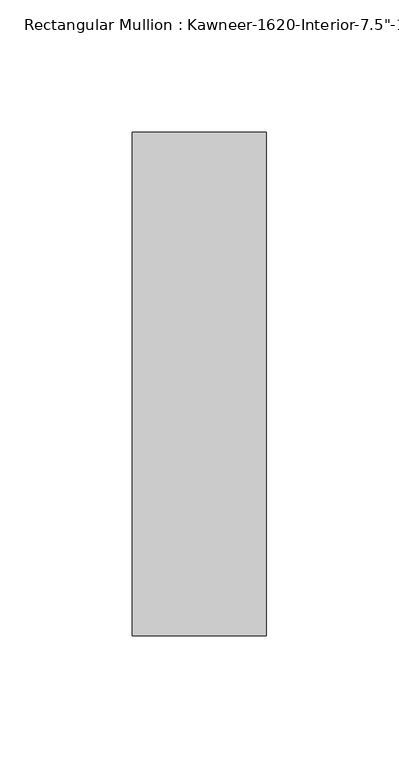
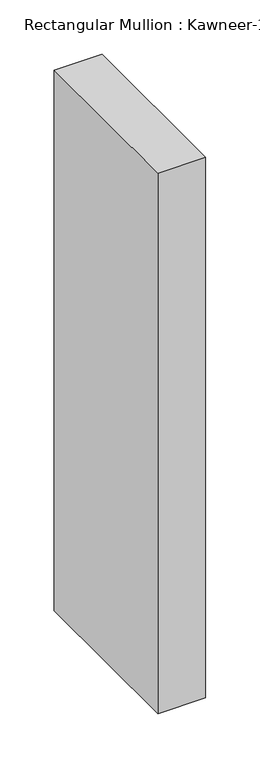
"""IFC4 building model written with IfcOpenShell, lengths in millimetres: member geometry."""

import ifcopenshell
import ifcopenshell.guid

model = None  # the IFC model being written
_history = None  # IfcOwnerHistory: only IFC2X3 demands one
_inside = {}  # id of a spatial element -> (the spatial element, [elements in it])
_under = {}  # id of a project, library or spatial element -> (it, [spatial elements below it])
_declared = {}  # id of a project -> (the project, [libraries it declares])
_typed = {}  # id of a type object -> (the type object, [elements of that type])
_made_of = {}  # id of a material, layer set ... -> (it, [elements and type objects made of it])


def new_model(schema):
    """Start an empty IFC model of exactly this schema.

    Asked for "IFC4X3", IfcOpenShell would pick the latest addendum, in which some entities
    have other attributes; the version numbers below select the first issue.
    IFC2X3 requires an IfcOwnerHistory on every rooted entity: one is made here for all.
    """
    global model, _history
    if schema == "IFC4X3":
        model = ifcopenshell.file(schema_version=(4, 3, 0, 0))
    else:
        model = ifcopenshell.file(schema=schema)
    _inside.clear()
    _under.clear()
    _declared.clear()
    _typed.clear()
    _made_of.clear()
    _history = None
    if model.schema == "IFC2X3":
        org = make("IfcOrganization", Name="unknown")
        user = make(
            "IfcPersonAndOrganization",
            ThePerson=make("IfcPerson", FamilyName="unknown"),
            TheOrganization=org,
        )
        app = make(
            "IfcApplication",
            ApplicationDeveloper=org,
            Version="unknown",
            ApplicationFullName="unknown",
            ApplicationIdentifier="unknown",
        )
        _history = make(
            "IfcOwnerHistory",
            OwningUser=user,
            OwningApplication=app,
            ChangeAction="ADDED",
            CreationDate=0,
        )
    return model


def make(cls, **values):
    """One entity of the class cls with the attributes given. An attribute that is None is left unset."""
    return model.create_entity(
        cls, **{name: value for name, value in values.items() if value is not None}
    )


def rooted(cls, **values):
    """An entity with a GlobalId (a new one), such as an element, a storey or a relation."""
    return make(cls, GlobalId=ifcopenshell.guid.new(), OwnerHistory=_history, **values)


def si_unit(unit_type, name, prefix=None):
    """IfcSIUnit, for example si_unit("LENGTHUNIT", "METRE", prefix="MILLI")."""
    return make("IfcSIUnit", UnitType=unit_type, Prefix=prefix, Name=name)


def assignment(units):
    """IfcUnitAssignment: the units of a project."""
    return None if units is None else make("IfcUnitAssignment", Units=units)


def point(xyz):
    """IfcCartesianPoint."""
    return None if xyz is None else make("IfcCartesianPoint", Coordinates=xyz)


def direction(xyz):
    """IfcDirection."""
    return None if xyz is None else make("IfcDirection", DirectionRatios=xyz)


def frame(location, z_axis=None, x_axis=None):
    """IfcAxis2Placement3D, a coordinate frame: its origin and axes. An axis left out is left unset."""
    return make(
        "IfcAxis2Placement3D",
        Location=point(location),
        Axis=direction(z_axis),
        RefDirection=direction(x_axis),
    )


def origin():
    """The frame at (0, 0, 0) with its axes left unset."""
    return frame((0.0, 0.0, 0.0))


def place(relative_to, where):
    """IfcLocalPlacement: puts the frame where relative to a parent placement (None: the world)."""
    return make(
        "IfcLocalPlacement", PlacementRelTo=relative_to, RelativePlacement=where
    )


def context(
    kind, dimensions, precision=None, world=None, true_north=None, identifier=None
):
    """IfcGeometricRepresentationContext, for example the 3D "Model" context."""
    return make(
        "IfcGeometricRepresentationContext",
        ContextIdentifier=identifier,
        ContextType=kind,
        CoordinateSpaceDimension=dimensions,
        Precision=precision,
        WorldCoordinateSystem=world,
        TrueNorth=true_north,
    )


def project(units=None, contexts=None):
    """IfcProject with its units and contexts."""
    return rooted(
        "IfcProject",
        Name="project",
        RepresentationContexts=contexts,
        UnitsInContext=assignment(units),
    )


def spatial(cls, under=None, at=None, **own):
    """A site, building, storey or space (cls), placed at a placement, below another one or the project."""
    s = rooted(cls, ObjectPlacement=at, **own)
    if under is not None:
        _under.setdefault(under.id(), (under, []))[1].append(s)
    return s


def polyline(points):
    """IfcPolyline through the points."""
    return make("IfcPolyline", Points=[point(p) for p in points])


def outline(outer, holes=None, kind="AREA"):
    """IfcArbitraryClosedProfileDef: a profile drawn as a closed curve; with holes, ...WithVoids."""
    if holes is None:
        return make("IfcArbitraryClosedProfileDef", ProfileType=kind, OuterCurve=outer)
    return make(
        "IfcArbitraryProfileDefWithVoids",
        ProfileType=kind,
        OuterCurve=outer,
        InnerCurves=holes,
    )


def extrude(swept, where, along, depth):
    """IfcExtrudedAreaSolid: the profile swept, set in the frame where, extruded along a direction by depth."""
    return make(
        "IfcExtrudedAreaSolid",
        SweptArea=swept,
        Position=where,
        ExtrudedDirection=direction(along),
        Depth=depth,
    )


def shape(context_of_items, identifier, shape_type, items):
    """IfcShapeRepresentation: the items that make up one representation, for example the "Body"."""
    return make(
        "IfcShapeRepresentation",
        ContextOfItems=context_of_items,
        RepresentationIdentifier=identifier,
        RepresentationType=shape_type,
        Items=items,
    )


def source(mapping_origin, context_of_items, identifier, shape_type, items):
    """IfcRepresentationMap: a shape defined once, which mapped items show again and again."""
    return make(
        "IfcRepresentationMap",
        MappingOrigin=mapping_origin,
        MappedRepresentation=shape(context_of_items, identifier, shape_type, items),
    )


def transform(
    local_origin,
    x_axis=None,
    y_axis=None,
    z_axis=None,
    scale=None,
    scale2=None,
    scale3=None,
    uniform=True,
):
    """IfcCartesianTransformationOperator3D, or its non-uniform kind. x_axis, y_axis, z_axis: its Axis1, 2, 3."""
    if uniform:
        return make(
            "IfcCartesianTransformationOperator3D",
            Axis1=direction(x_axis),
            Axis2=direction(y_axis),
            LocalOrigin=point(local_origin),
            Scale=scale,
            Axis3=direction(z_axis),
        )
    return make(
        "IfcCartesianTransformationOperator3DnonUniform",
        Axis1=direction(x_axis),
        Axis2=direction(y_axis),
        LocalOrigin=point(local_origin),
        Scale=scale,
        Axis3=direction(z_axis),
        Scale2=scale2,
        Scale3=scale3,
    )


def mapped(mapping_source, mapping_target):
    """IfcMappedItem: shows the shape of a source again, moved by a transform."""
    return make(
        "IfcMappedItem", MappingSource=mapping_source, MappingTarget=mapping_target
    )


def made_of(thing, what):
    """Note that an element or type object is made of a material, layer set ...; save() writes the relation."""
    if what is not None:
        _made_of.setdefault(what.id(), (what, []))[1].append(thing)
    return thing


def element(
    cls,
    number,
    at=None,
    inside=None,
    cuts=None,
    type_object=None,
    material=None,
    context=None,
    identifier="Body",
    shape_type=None,
    held_by="IfcProductDefinitionShape",
    body=None,
    shapes=None,
    **own,
):
    """One element of the class cls, such as IfcWall. Its Tag is "e" and its number.

    at: its placement. inside: the storey or other place that contains it. cuts: it is an
    opening in that element (IfcRelVoidsElement). A single representation is given by context,
    identifier, shape_type and body (its items); several are given by shapes. held_by: the class
    of the entity that holds the representations. save() writes the other relations.
    """
    e = rooted(cls, Tag="e%d" % number, ObjectPlacement=at, **own)
    if body is not None:
        shapes = [shape(context, identifier, shape_type, body)]
    if shapes is not None:
        e.Representation = make(held_by, Representations=shapes)
    if inside is not None:
        _inside.setdefault(inside.id(), (inside, []))[1].append(e)
    if cuts is not None:
        rooted(
            "IfcRelVoidsElement", RelatingBuildingElement=cuts, RelatedOpeningElement=e
        )
    if type_object is not None:
        _typed.setdefault(type_object.id(), (type_object, []))[1].append(e)
    return made_of(e, material)


def aggregate(whole, parts):
    """IfcRelAggregates: a whole, such as a stair, and the parts it consists of."""
    return rooted("IfcRelAggregates", RelatingObject=whole, RelatedObjects=parts)


def save(model, path):
    """Write the relations noted so far, then the file.

    IfcRelAggregates (storeys below a building ...), IfcRelContainedInSpatialStructure (elements
    in a storey), IfcRelDefinesByType, IfcRelAssociatesMaterial and IfcRelDeclares: one each for
    every whole, place, type object, material and project.
    """
    for whole, parts in _under.values():
        aggregate(whole, parts)
    for where, things in _inside.values():
        rooted(
            "IfcRelContainedInSpatialStructure",
            RelatedElements=things,
            RelatingStructure=where,
        )
    for kind, things in _typed.values():
        rooted("IfcRelDefinesByType", RelatedObjects=things, RelatingType=kind)
    for what, things in _made_of.values():
        rooted("IfcRelAssociatesMaterial", RelatedObjects=things, RelatingMaterial=what)
    for by, libraries in _declared.values():
        rooted("IfcRelDeclares", RelatingContext=by, RelatedDefinitions=libraries)
    model.write(path)


def member_5b2c23d8(model_context):
    return source(origin(), model_context, "Body", "SweptSolid", [
        extrude(outline(polyline([(25.4, -152.4), (-25.4, -152.4), (-25.4, 38.1), (25.4, 38.1), (25.4, -152.4)])), frame((0.0, 0.0, -606.425), z_axis=(0.0, 0.0, 1.0), x_axis=(1.0, 0.0, 0.0)), (0.0, 0.0, 1.0), 606.425),
    ])


if __name__ == "__main__":
    model = new_model("IFC4")
    model_context = context("Model", 3, world=origin())
    ifc_project = project(units=[si_unit("LENGTHUNIT", "METRE", prefix="MILLI")], contexts=[model_context])
    site = spatial("IfcSite", under=ifc_project)
    building = spatial("IfcBuilding", under=site)
    placement = place(None, origin())
    member_shape = member_5b2c23d8(model_context)
    element("IfcMember", 1, ObjectType="Rectangular Mullion : Kawneer-1620-Interior-7.5\"-1\"Infill", at=placement, inside=building, context=model_context, shape_type="MappedRepresentation", body=[
        mapped(member_shape, transform((0.0, 0.0, 0.0), x_axis=(1.0, 0.0, 0.0), y_axis=(0.0, 1.0, 0.0), z_axis=(0.0, 0.0, 1.0))),
    ])
    save(model, "model.ifc")
